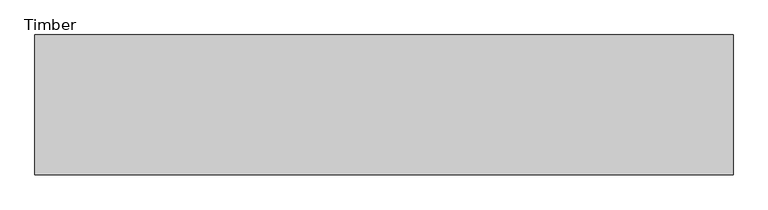
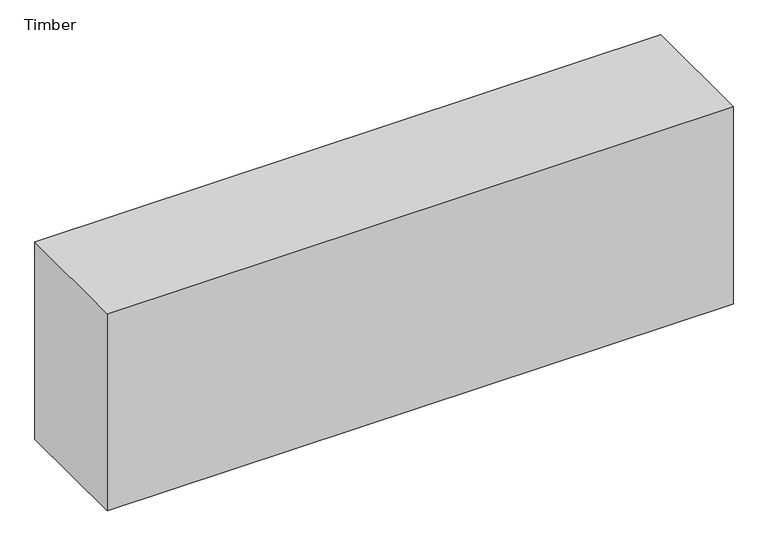
"""IFC4 building model written with IfcOpenShell, lengths in millimetres: beam geometry, Timber."""

from ifc_helpers import new_model, si_unit, frame, origin, place, context, project, spatial, polyline, outline, extrude, source, transform, mapped, element, save


def timber_059c7973(model_context):
    return source(origin(), model_context, "Body", "SweptSolid", [
        extrude(outline(polyline([(571.1179201, 114.3), (571.1179201, -114.3), (-571.1179201, -114.3), (-571.1179201, 114.3), (571.1179201, 114.3)])), frame((0.0, 0.0, -190.5), z_axis=(0.0, 0.0, 1.0), x_axis=(1.0, 0.0, 0.0)), (0.0, 0.0, 1.0), 381.0),
    ])


if __name__ == "__main__":
    model = new_model("IFC4")
    model_context = context("Model", 3, world=origin())
    ifc_project = project(units=[si_unit("LENGTHUNIT", "METRE", prefix="MILLI")], contexts=[model_context])
    site = spatial("IfcSite", under=ifc_project)
    building = spatial("IfcBuilding", under=site)
    placement = place(None, origin())
    timber_shape = timber_059c7973(model_context)
    element("IfcBeam", 1, ObjectType="Timber", at=placement, inside=building, context=model_context, shape_type="MappedRepresentation", body=[
        mapped(timber_shape, transform((0.0, 0.0, 0.0), x_axis=(1.0, 0.0, 0.0), y_axis=(0.0, 1.0, 0.0), z_axis=(0.0, 0.0, 1.0))),
    ])
    save(model, "model.ifc")
